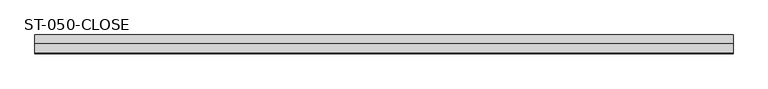
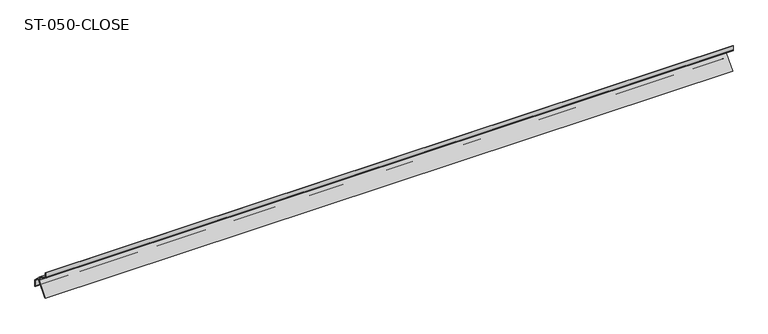
"""IFC4 building model written with IfcOpenShell, lengths in millimetres: plate geometry, ST-050-CLOSE."""

from ifc_helpers import new_model, si_unit, point, frame, frame_2d, origin, place, context, project, spatial, polyline, circle_curve, trimmed, segment, composite_curve, outline, extrude, source, transform, mapped, element, save


def st_050_close_0ccec884(model_context):
    return source(origin(), model_context, "Body", "SweptSolid", [
        extrude(outline(composite_curve([segment(polyline([(0.0, -10.6021456), (0.0, 0.0), (1.4, -0.9802906), (1.4, -9.9670603)]), True, "CONTINUOUS"), segment(trimmed(circle_curve(frame_2d((2.9, -9.9670603)), 1.5), [point((1.4, -9.9670603))], [point((2.15, -11.2660984))], True, "CARTESIAN"), True, "CONTINUOUS"), segment(polyline([(2.15, -11.2660984), (23.283107, -23.4673035), (41.0, -41.1841964), (41.0, -56.4107643), (37.0312713, -53.1088196), (37.0312713, -51.8079705), (39.6, -53.9451285), (39.6, -41.7640954), (27.0, -29.1640954), (27.0, -31.2342551)]), True, "CONTINUOUS"), segment(trimmed(circle_curve(frame_2d((23.6, -31.2342551)), 3.4), [point((27.0, -31.2342551))], [point((26.2045511, -33.419733))], False, "CARTESIAN"), True, "CONTINUOUS"), segment(polyline([(26.2045511, -33.419733), (3.7464997, -60.1841964), (1.9189295, -60.1841964), (25.1320889, -32.5198303)]), True, "CONTINUOUS"), segment(trimmed(circle_curve(frame_2d((23.6, -31.2342551)), 2.0), [point((25.1320889, -32.5198303))], [point((25.6, -31.2342551))], True, "CARTESIAN"), True, "CONTINUOUS"), segment(polyline([(25.6, -31.2342551), (24.548431, -28.2456529), (24.1161816, -26.6324761), (22.3937391, -27.5452696), (22.8965926, -29.4219442), (21.3531632, -29.4219442), (21.9401513, -24.3085284), (0.2411543, -11.7806066)]), True, "CONTINUOUS"), segment(trimmed(circle_curve(frame_2d((3.0, -10.6021456)), 3.0), [point((0.2411543, -11.7806066))], [point((0.0, -10.6021456))], False, "CARTESIAN"), True, "CONTINUOUS")], self_intersect=False)), frame((-750.0, 0.0, 0.0), z_axis=(1.0, 0.0, 0.0), x_axis=(0.0, 1.0, 0.0)), (0.0, 0.0, 1.0), 1499.7321324),
    ])


if __name__ == "__main__":
    model = new_model("IFC4")
    model_context = context("Model", 3, world=origin())
    ifc_project = project(units=[si_unit("LENGTHUNIT", "METRE", prefix="MILLI")], contexts=[model_context])
    site = spatial("IfcSite", under=ifc_project)
    building = spatial("IfcBuilding", under=site)
    placement = place(None, origin())
    st_050_close_shape = st_050_close_0ccec884(model_context)
    element("IfcPlate", 1, ObjectType="ST-050-CLOSE", at=placement, inside=building, context=model_context, shape_type="MappedRepresentation", body=[
        mapped(st_050_close_shape, transform((0.0, 0.0, 0.0), x_axis=(1.0, 0.0, 0.0), y_axis=(0.0, 1.0, 0.0), z_axis=(0.0, 0.0, 1.0))),
    ])
    save(model, "model.ifc")
